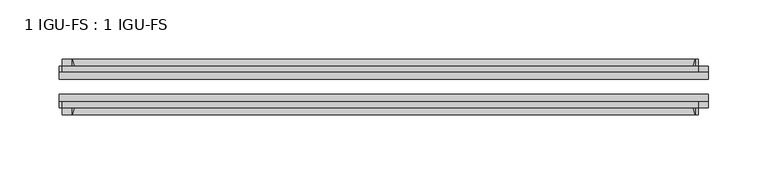
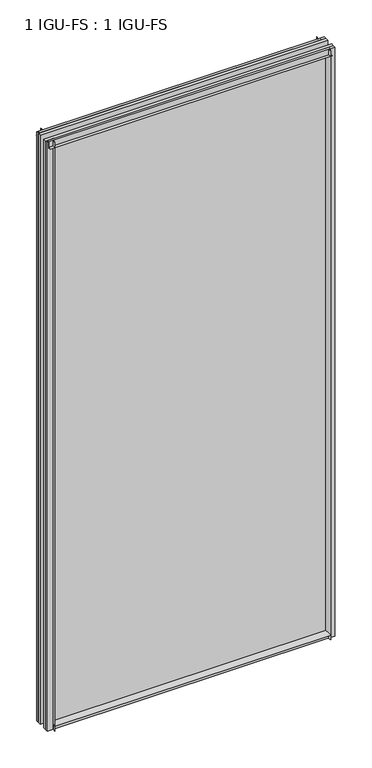
"""IFC4 building model written with IfcOpenShell, lengths in millimetres: plate geometry, 1 IGU-FS : 1 IGU-FS."""

import ifcopenshell
import ifcopenshell.guid

model = None  # the IFC model being written
_history = None  # IfcOwnerHistory: only IFC2X3 demands one
_inside = {}  # id of a spatial element -> (the spatial element, [elements in it])
_under = {}  # id of a project, library or spatial element -> (it, [spatial elements below it])
_declared = {}  # id of a project -> (the project, [libraries it declares])
_typed = {}  # id of a type object -> (the type object, [elements of that type])
_made_of = {}  # id of a material, layer set ... -> (it, [elements and type objects made of it])


def new_model(schema):
    """Start an empty IFC model of exactly this schema.

    Asked for "IFC4X3", IfcOpenShell would pick the latest addendum, in which some entities
    have other attributes; the version numbers below select the first issue.
    IFC2X3 requires an IfcOwnerHistory on every rooted entity: one is made here for all.
    """
    global model, _history
    if schema == "IFC4X3":
        model = ifcopenshell.file(schema_version=(4, 3, 0, 0))
    else:
        model = ifcopenshell.file(schema=schema)
    _inside.clear()
    _under.clear()
    _declared.clear()
    _typed.clear()
    _made_of.clear()
    _history = None
    if model.schema == "IFC2X3":
        org = make("IfcOrganization", Name="unknown")
        user = make(
            "IfcPersonAndOrganization",
            ThePerson=make("IfcPerson", FamilyName="unknown"),
            TheOrganization=org,
        )
        app = make(
            "IfcApplication",
            ApplicationDeveloper=org,
            Version="unknown",
            ApplicationFullName="unknown",
            ApplicationIdentifier="unknown",
        )
        _history = make(
            "IfcOwnerHistory",
            OwningUser=user,
            OwningApplication=app,
            ChangeAction="ADDED",
            CreationDate=0,
        )
    return model


def make(cls, **values):
    """One entity of the class cls with the attributes given. An attribute that is None is left unset."""
    return model.create_entity(
        cls, **{name: value for name, value in values.items() if value is not None}
    )


def rooted(cls, **values):
    """An entity with a GlobalId (a new one), such as an element, a storey or a relation."""
    return make(cls, GlobalId=ifcopenshell.guid.new(), OwnerHistory=_history, **values)


def si_unit(unit_type, name, prefix=None):
    """IfcSIUnit, for example si_unit("LENGTHUNIT", "METRE", prefix="MILLI")."""
    return make("IfcSIUnit", UnitType=unit_type, Prefix=prefix, Name=name)


def assignment(units):
    """IfcUnitAssignment: the units of a project."""
    return None if units is None else make("IfcUnitAssignment", Units=units)


def point(xyz):
    """IfcCartesianPoint."""
    return None if xyz is None else make("IfcCartesianPoint", Coordinates=xyz)


def direction(xyz):
    """IfcDirection."""
    return None if xyz is None else make("IfcDirection", DirectionRatios=xyz)


def frame(location, z_axis=None, x_axis=None):
    """IfcAxis2Placement3D, a coordinate frame: its origin and axes. An axis left out is left unset."""
    return make(
        "IfcAxis2Placement3D",
        Location=point(location),
        Axis=direction(z_axis),
        RefDirection=direction(x_axis),
    )


def frame_2d(location, x_axis=None):
    """IfcAxis2Placement2D, a coordinate frame in the plane: its origin and x axis."""
    return make(
        "IfcAxis2Placement2D", Location=point(location), RefDirection=direction(x_axis)
    )


def origin():
    """The frame at (0, 0, 0) with its axes left unset."""
    return frame((0.0, 0.0, 0.0))


def place(relative_to, where):
    """IfcLocalPlacement: puts the frame where relative to a parent placement (None: the world)."""
    return make(
        "IfcLocalPlacement", PlacementRelTo=relative_to, RelativePlacement=where
    )


def context(
    kind, dimensions, precision=None, world=None, true_north=None, identifier=None
):
    """IfcGeometricRepresentationContext, for example the 3D "Model" context."""
    return make(
        "IfcGeometricRepresentationContext",
        ContextIdentifier=identifier,
        ContextType=kind,
        CoordinateSpaceDimension=dimensions,
        Precision=precision,
        WorldCoordinateSystem=world,
        TrueNorth=true_north,
    )


def project(units=None, contexts=None):
    """IfcProject with its units and contexts."""
    return rooted(
        "IfcProject",
        Name="project",
        RepresentationContexts=contexts,
        UnitsInContext=assignment(units),
    )


def spatial(cls, under=None, at=None, **own):
    """A site, building, storey or space (cls), placed at a placement, below another one or the project."""
    s = rooted(cls, ObjectPlacement=at, **own)
    if under is not None:
        _under.setdefault(under.id(), (under, []))[1].append(s)
    return s


def polyline(points):
    """IfcPolyline through the points."""
    return make("IfcPolyline", Points=[point(p) for p in points])


def circle_curve(where, radius):
    """IfcCircle in the frame where."""
    return make("IfcCircle", Position=where, Radius=radius)


def trimmed(basis, trim1, trim2, sense, master):
    """IfcTrimmedCurve: the piece of a basis curve between two trims."""
    return make(
        "IfcTrimmedCurve",
        BasisCurve=basis,
        Trim1=trim1,
        Trim2=trim2,
        SenseAgreement=sense,
        MasterRepresentation=master,
    )


def segment(curve, same_sense, transition):
    """IfcCompositeCurveSegment."""
    return make(
        "IfcCompositeCurveSegment",
        Transition=transition,
        SameSense=same_sense,
        ParentCurve=curve,
    )


def composite_curve(segments, self_intersect=None):
    """IfcCompositeCurve: segments joined end to end."""
    return make("IfcCompositeCurve", Segments=segments, SelfIntersect=self_intersect)


def outline(outer, holes=None, kind="AREA"):
    """IfcArbitraryClosedProfileDef: a profile drawn as a closed curve; with holes, ...WithVoids."""
    if holes is None:
        return make("IfcArbitraryClosedProfileDef", ProfileType=kind, OuterCurve=outer)
    return make(
        "IfcArbitraryProfileDefWithVoids",
        ProfileType=kind,
        OuterCurve=outer,
        InnerCurves=holes,
    )


def extrude(swept, where, along, depth):
    """IfcExtrudedAreaSolid: the profile swept, set in the frame where, extruded along a direction by depth."""
    return make(
        "IfcExtrudedAreaSolid",
        SweptArea=swept,
        Position=where,
        ExtrudedDirection=direction(along),
        Depth=depth,
    )


def shape(context_of_items, identifier, shape_type, items):
    """IfcShapeRepresentation: the items that make up one representation, for example the "Body"."""
    return make(
        "IfcShapeRepresentation",
        ContextOfItems=context_of_items,
        RepresentationIdentifier=identifier,
        RepresentationType=shape_type,
        Items=items,
    )


def source(mapping_origin, context_of_items, identifier, shape_type, items):
    """IfcRepresentationMap: a shape defined once, which mapped items show again and again."""
    return make(
        "IfcRepresentationMap",
        MappingOrigin=mapping_origin,
        MappedRepresentation=shape(context_of_items, identifier, shape_type, items),
    )


def transform(
    local_origin,
    x_axis=None,
    y_axis=None,
    z_axis=None,
    scale=None,
    scale2=None,
    scale3=None,
    uniform=True,
):
    """IfcCartesianTransformationOperator3D, or its non-uniform kind. x_axis, y_axis, z_axis: its Axis1, 2, 3."""
    if uniform:
        return make(
            "IfcCartesianTransformationOperator3D",
            Axis1=direction(x_axis),
            Axis2=direction(y_axis),
            LocalOrigin=point(local_origin),
            Scale=scale,
            Axis3=direction(z_axis),
        )
    return make(
        "IfcCartesianTransformationOperator3DnonUniform",
        Axis1=direction(x_axis),
        Axis2=direction(y_axis),
        LocalOrigin=point(local_origin),
        Scale=scale,
        Axis3=direction(z_axis),
        Scale2=scale2,
        Scale3=scale3,
    )


def mapped(mapping_source, mapping_target):
    """IfcMappedItem: shows the shape of a source again, moved by a transform."""
    return make(
        "IfcMappedItem", MappingSource=mapping_source, MappingTarget=mapping_target
    )


def made_of(thing, what):
    """Note that an element or type object is made of a material, layer set ...; save() writes the relation."""
    if what is not None:
        _made_of.setdefault(what.id(), (what, []))[1].append(thing)
    return thing


def element(
    cls,
    number,
    at=None,
    inside=None,
    cuts=None,
    type_object=None,
    material=None,
    context=None,
    identifier="Body",
    shape_type=None,
    held_by="IfcProductDefinitionShape",
    body=None,
    shapes=None,
    **own,
):
    """One element of the class cls, such as IfcWall. Its Tag is "e" and its number.

    at: its placement. inside: the storey or other place that contains it. cuts: it is an
    opening in that element (IfcRelVoidsElement). A single representation is given by context,
    identifier, shape_type and body (its items); several are given by shapes. held_by: the class
    of the entity that holds the representations. save() writes the other relations.
    """
    e = rooted(cls, Tag="e%d" % number, ObjectPlacement=at, **own)
    if body is not None:
        shapes = [shape(context, identifier, shape_type, body)]
    if shapes is not None:
        e.Representation = make(held_by, Representations=shapes)
    if inside is not None:
        _inside.setdefault(inside.id(), (inside, []))[1].append(e)
    if cuts is not None:
        rooted(
            "IfcRelVoidsElement", RelatingBuildingElement=cuts, RelatedOpeningElement=e
        )
    if type_object is not None:
        _typed.setdefault(type_object.id(), (type_object, []))[1].append(e)
    return made_of(e, material)


def aggregate(whole, parts):
    """IfcRelAggregates: a whole, such as a stair, and the parts it consists of."""
    return rooted("IfcRelAggregates", RelatingObject=whole, RelatedObjects=parts)


def save(model, path):
    """Write the relations noted so far, then the file.

    IfcRelAggregates (storeys below a building ...), IfcRelContainedInSpatialStructure (elements
    in a storey), IfcRelDefinesByType, IfcRelAssociatesMaterial and IfcRelDeclares: one each for
    every whole, place, type object, material and project.
    """
    for whole, parts in _under.values():
        aggregate(whole, parts)
    for where, things in _inside.values():
        rooted(
            "IfcRelContainedInSpatialStructure",
            RelatedElements=things,
            RelatingStructure=where,
        )
    for kind, things in _typed.values():
        rooted("IfcRelDefinesByType", RelatedObjects=things, RelatingType=kind)
    for what, things in _made_of.values():
        rooted("IfcRelAssociatesMaterial", RelatedObjects=things, RelatingMaterial=what)
    for by, libraries in _declared.values():
        rooted("IfcRelDeclares", RelatingContext=by, RelatedDefinitions=libraries)
    model.write(path)


def plate_1_igu_fs_1_igu_fs_de91b690(model_context):
    return source(origin(), model_context, "Body", "SweptSolid", [
        extrude(outline(composite_curve([segment(polyline([(-44.859575, -9.525), (-44.859575, 0.0), (-50.8285753, 0.0)]), True, "CONTINUOUS"), segment(trimmed(circle_curve(frame_2d((-56.4601953, 32.279754)), 32.7673262), [point((-50.8285753, 0.0))], [point((-40.084375, 3.8978906))], True, "CARTESIAN"), True, "CONTINUOUS"), segment(polyline([(-40.084375, 3.8978906), (-40.084375, -9.525), (-44.859575, -9.525)]), True, "CONTINUOUS")], self_intersect=False)), frame((-263.5261906, 0.0, 0.0), z_axis=(1.0, 0.0, 0.0), x_axis=(0.0, 1.0, 0.0)), (0.0, 0.0, 1.0), 527.0523813),
        extrude(outline(composite_curve([segment(polyline([(-9.909175, -9.525), (-14.684375, -9.525), (-14.684375, 3.8978906)]), True, "CONTINUOUS"), segment(trimmed(circle_curve(frame_2d((1.6914453, 32.279754)), 32.7673262), [point((-14.684375, 3.8978906))], [point((-3.9401747, 0.0))], True, "CARTESIAN"), True, "CONTINUOUS"), segment(polyline([(-3.9401747, 0.0), (-9.909175, 0.0), (-9.909175, -9.525)]), True, "CONTINUOUS")], self_intersect=False)), frame((-263.5261906, 0.0, 0.0), z_axis=(1.0, 0.0, 0.0), x_axis=(0.0, 1.0, 0.0)), (0.0, 0.0, 1.0), 527.0523813),
        extrude(outline(composite_curve([segment(polyline([(-9.909175, 1179.5125), (-9.909175, 1168.4), (-3.9401753, 1168.4)]), True, "CONTINUOUS"), segment(trimmed(circle_curve(frame_2d((1.6914453, 1136.1202461)), 32.7673262), [point((-3.9401753, 1168.4))], [point((-14.684375, 1164.5021095))], True, "CARTESIAN"), True, "CONTINUOUS"), segment(polyline([(-14.684375, 1164.5021095), (-14.684375, 1179.5125), (-9.909175, 1179.5125)]), True, "CONTINUOUS")], self_intersect=False)), frame((-272.0389293, 0.0, 0.0), z_axis=(1.0, 0.0, 0.0), x_axis=(0.0, 1.0, 0.0)), (0.0, 0.0, 1.0), 538.1110814),
        extrude(outline(composite_curve([segment(polyline([(-40.084375, 1179.5125), (-40.084375, 1164.5021095)]), True, "CONTINUOUS"), segment(trimmed(circle_curve(frame_2d((-56.4601953, 1136.1202461)), 32.7673262), [point((-40.084375, 1164.5021095))], [point((-50.8285747, 1168.4))], True, "CARTESIAN"), True, "CONTINUOUS"), segment(polyline([(-50.8285747, 1168.4), (-44.859575, 1168.4), (-44.859575, 1179.5125), (-40.084375, 1179.5125)]), True, "CONTINUOUS")], self_intersect=False)), frame((-272.0389293, 0.0, 0.0), z_axis=(1.0, 0.0, 0.0), x_axis=(0.0, 1.0, 0.0)), (0.0, 0.0, 1.0), 538.1110814),
        extrude(outline(composite_curve([segment(polyline([(274.6386906, -9.909175), (274.6386906, -14.684375), (259.6283001, -14.684375)]), True, "CONTINUOUS"), segment(trimmed(circle_curve(frame_2d((231.2464367, 1.6914453)), 32.7673262), [point((259.6283001, -14.684375))], [point((263.5261906, -3.940175))], True, "CARTESIAN"), True, "CONTINUOUS"), segment(polyline([(263.5261906, -3.940175), (263.5261906, -9.909175), (274.6386906, -9.909175)]), True, "CONTINUOUS")], self_intersect=False)), frame((0.0, 0.0, -9.525), z_axis=(0.0, 0.0, 1.0), x_axis=(1.0, 0.0, 0.0)), (0.0, 0.0, 1.0), 1189.0375),
        extrude(outline(composite_curve([segment(polyline([(274.6386906, -40.084375), (274.6386906, -44.859575), (263.5261906, -44.859575), (263.5261906, -50.828575)]), True, "CONTINUOUS"), segment(trimmed(circle_curve(frame_2d((231.2464367, -56.4601953)), 32.7673262), [point((263.5261906, -50.828575))], [point((259.6283001, -40.084375))], True, "CARTESIAN"), True, "CONTINUOUS"), segment(polyline([(259.6283001, -40.084375), (274.6386906, -40.084375)]), True, "CONTINUOUS")], self_intersect=False)), frame((0.0, 0.0, -9.525), z_axis=(0.0, 0.0, 1.0), x_axis=(1.0, 0.0, 0.0)), (0.0, 0.0, 1.0), 1189.0375),
        extrude(outline(composite_curve([segment(polyline([(-274.6386906, -9.909175), (-263.5261906, -9.909175), (-263.5261906, -3.940175)]), True, "CONTINUOUS"), segment(trimmed(circle_curve(frame_2d((-231.2464367, 1.6914453)), 32.7673262), [point((-263.5261906, -3.940175))], [point((-259.6283001, -14.684375))], True, "CARTESIAN"), True, "CONTINUOUS"), segment(polyline([(-259.6283001, -14.684375), (-274.6386906, -14.684375), (-274.6386906, -9.909175)]), True, "CONTINUOUS")], self_intersect=False)), frame((0.0, 0.0, -9.525), z_axis=(0.0, 0.0, 1.0), x_axis=(1.0, 0.0, 0.0)), (0.0, 0.0, 1.0), 1189.0375),
        extrude(outline(composite_curve([segment(polyline([(-274.6386906, -44.859575), (-274.6386906, -40.084375), (-259.6283001, -40.084375)]), True, "CONTINUOUS"), segment(trimmed(circle_curve(frame_2d((-231.2464367, -56.4601953)), 32.7673262), [point((-259.6283001, -40.084375))], [point((-263.5261906, -50.828575))], True, "CARTESIAN"), True, "CONTINUOUS"), segment(polyline([(-263.5261906, -50.828575), (-263.5261906, -44.859575), (-274.6386906, -44.859575)]), True, "CONTINUOUS")], self_intersect=False)), frame((0.0, 0.0, -9.525), z_axis=(0.0, 0.0, 1.0), x_axis=(1.0, 0.0, 0.0)), (0.0, 0.0, 1.0), 1189.0375),
        extrude(outline(polyline([(-274.6386906, -40.084375), (-274.6386906, -33.785175), (274.6386906, -33.785175), (274.6386906, -40.084375), (-274.6386906, -40.084375)])), frame((0.0, 0.0, -9.525), z_axis=(0.0, 0.0, 1.0), x_axis=(1.0, 0.0, 0.0)), (0.0, 0.0, 1.0), 1189.0375),
        extrude(outline(polyline([(274.6386906, -20.983575), (-274.6386906, -20.983575), (-274.6386906, -14.684375), (274.6386906, -14.684375), (274.6386906, -20.983575)])), frame((0.0, 0.0, -9.525), z_axis=(0.0, 0.0, 1.0), x_axis=(1.0, 0.0, 0.0)), (0.0, 0.0, 1.0), 1189.0375),
    ])


if __name__ == "__main__":
    model = new_model("IFC4")
    model_context = context("Model", 3, world=origin())
    ifc_project = project(units=[si_unit("LENGTHUNIT", "METRE", prefix="MILLI")], contexts=[model_context])
    site = spatial("IfcSite", under=ifc_project)
    building = spatial("IfcBuilding", under=site)
    placement = place(None, origin())
    plate_1_igu_fs_1_igu_fs_shape = plate_1_igu_fs_1_igu_fs_de91b690(model_context)
    element("IfcPlate", 1, ObjectType="1 IGU-FS : 1 IGU-FS", at=placement, inside=building, context=model_context, shape_type="MappedRepresentation", body=[
        mapped(plate_1_igu_fs_1_igu_fs_shape, transform((0.0, 0.0, 0.0), x_axis=(1.0, 0.0, 0.0), y_axis=(0.0, 1.0, 0.0), z_axis=(0.0, 0.0, 1.0))),
    ])
    save(model, "model.ifc")
